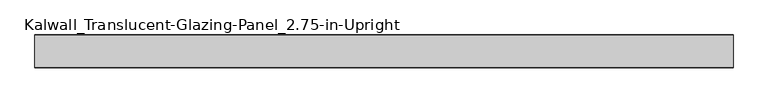
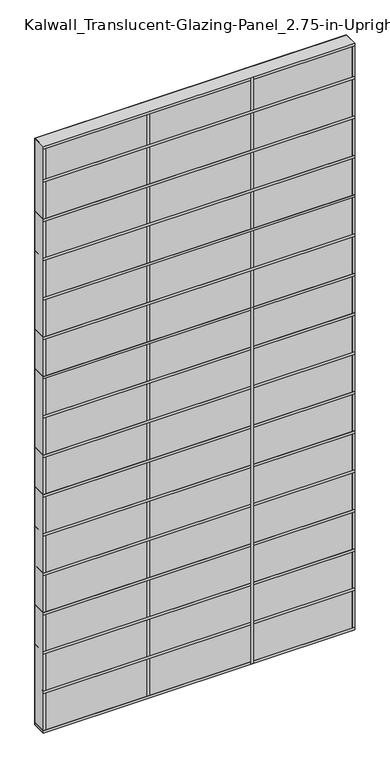
"""IFC4 building model written with IfcOpenShell, lengths in millimetres: plate geometry, Kalwall_Translucent-Glazing-Panel_2.75-in-Upright."""

from ifc_helpers import new_model, si_unit, frame, origin, origin_with_axes, place, context, project, spatial, polyline, outline, extrude, source, transform, mapped, element, save


def kalwall_translucent_glazing_panel_2_75_in_upright_2c1c6394(model_context):
    return source(origin(), model_context, "Body", "SweptSolid", [
        extrude(outline(polyline([(762.0, 34.925), (762.0, -34.925), (-762.0, -34.925), (-762.0, 34.925), (762.0, 34.925)])), origin_with_axes(), (0.0, 0.0, 1.0), 3028.95),
        extrude(outline(polyline([(762.0, 35.71875), (762.0, -35.71875), (-762.0, -35.71875), (-762.0, 35.71875), (762.0, 35.71875)])), frame((0.0, 0.0, 2844.8), z_axis=(0.0, 0.0, 1.0), x_axis=(1.0, 0.0, 0.0)), (0.0, 0.0, 1.0), 12.7),
        extrude(outline(polyline([(762.0, 35.71875), (762.0, -35.71875), (-762.0, -35.71875), (-762.0, 35.71875), (762.0, 35.71875)])), frame((0.0, 0.0, 2641.6), z_axis=(0.0, 0.0, 1.0), x_axis=(1.0, 0.0, 0.0)), (0.0, 0.0, 1.0), 12.7),
        extrude(outline(polyline([(762.0, 35.71875), (762.0, -35.71875), (-762.0, -35.71875), (-762.0, 35.71875), (762.0, 35.71875)])), frame((0.0, 0.0, 2438.4), z_axis=(0.0, 0.0, 1.0), x_axis=(1.0, 0.0, 0.0)), (0.0, 0.0, 1.0), 12.7),
        extrude(outline(polyline([(762.0, 35.71875), (762.0, -35.71875), (-762.0, -35.71875), (-762.0, 35.71875), (762.0, 35.71875)])), frame((0.0, 0.0, 2235.2), z_axis=(0.0, 0.0, 1.0), x_axis=(1.0, 0.0, 0.0)), (0.0, 0.0, 1.0), 12.7),
        extrude(outline(polyline([(762.0, 35.71875), (762.0, -35.71875), (-762.0, -35.71875), (-762.0, 35.71875), (762.0, 35.71875)])), frame((0.0, 0.0, 2032.0), z_axis=(0.0, 0.0, 1.0), x_axis=(1.0, 0.0, 0.0)), (0.0, 0.0, 1.0), 12.7),
        extrude(outline(polyline([(266.7, 35.71875), (266.7, -35.71875), (254.0, -35.71875), (254.0, 35.71875), (266.7, 35.71875)])), origin_with_axes(), (0.0, 0.0, 1.0), 3028.95),
        extrude(outline(polyline([(762.0, 35.71875), (762.0, -35.71875), (-762.0, -35.71875), (-762.0, 35.71875), (762.0, 35.71875)])), frame((0.0, 0.0, 1828.8), z_axis=(0.0, 0.0, 1.0), x_axis=(1.0, 0.0, 0.0)), (0.0, 0.0, 1.0), 12.7),
        extrude(outline(polyline([(762.0, 35.71875), (762.0, -35.71875), (-762.0, -35.71875), (-762.0, 35.71875), (762.0, 35.71875)])), frame((0.0, 0.0, 1625.6), z_axis=(0.0, 0.0, 1.0), x_axis=(1.0, 0.0, 0.0)), (0.0, 0.0, 1.0), 12.7),
        extrude(outline(polyline([(762.0, 35.71875), (762.0, -35.71875), (-762.0, -35.71875), (-762.0, 35.71875), (762.0, 35.71875)])), frame((0.0, 0.0, 1422.4), z_axis=(0.0, 0.0, 1.0), x_axis=(1.0, 0.0, 0.0)), (0.0, 0.0, 1.0), 12.7),
        extrude(outline(polyline([(762.0, 35.71875), (762.0, -35.71875), (-762.0, -35.71875), (-762.0, 35.71875), (762.0, 35.71875)])), frame((0.0, 0.0, 1219.2), z_axis=(0.0, 0.0, 1.0), x_axis=(1.0, 0.0, 0.0)), (0.0, 0.0, 1.0), 12.7),
        extrude(outline(polyline([(762.0, 35.71875), (762.0, -35.71875), (-762.0, -35.71875), (-762.0, 35.71875), (762.0, 35.71875)])), frame((0.0, 0.0, 1016.0), z_axis=(0.0, 0.0, 1.0), x_axis=(1.0, 0.0, 0.0)), (0.0, 0.0, 1.0), 12.7),
        extrude(outline(polyline([(762.0, 35.71875), (762.0, -35.71875), (-762.0, -35.71875), (-762.0, 35.71875), (762.0, 35.71875)])), frame((0.0, 0.0, 812.8), z_axis=(0.0, 0.0, 1.0), x_axis=(1.0, 0.0, 0.0)), (0.0, 0.0, 1.0), 12.7),
        extrude(outline(polyline([(762.0, 35.71875), (762.0, -35.71875), (-762.0, -35.71875), (-762.0, 35.71875), (762.0, 35.71875)])), frame((0.0, 0.0, 609.6), z_axis=(0.0, 0.0, 1.0), x_axis=(1.0, 0.0, 0.0)), (0.0, 0.0, 1.0), 12.7),
        extrude(outline(polyline([(762.0, 35.71875), (762.0, -35.71875), (-762.0, -35.71875), (-762.0, 35.71875), (762.0, 35.71875)])), frame((0.0, 0.0, 406.4), z_axis=(0.0, 0.0, 1.0), x_axis=(1.0, 0.0, 0.0)), (0.0, 0.0, 1.0), 12.7),
        extrude(outline(polyline([(762.0, 35.71875), (762.0, -35.71875), (-762.0, -35.71875), (-762.0, 35.71875), (762.0, 35.71875)])), frame((0.0, 0.0, 3016.25), z_axis=(0.0, 0.0, 1.0), x_axis=(1.0, 0.0, 0.0)), (0.0, 0.0, 1.0), 12.7),
        extrude(outline(polyline([(762.0, 35.71875), (762.0, -35.71875), (-762.0, -35.71875), (-762.0, 35.71875), (762.0, 35.71875)])), frame((0.0, 0.0, 203.2), z_axis=(0.0, 0.0, 1.0), x_axis=(1.0, 0.0, 0.0)), (0.0, 0.0, 1.0), 12.7),
        extrude(outline(polyline([(762.0, 35.71875), (762.0, -35.71875), (-762.0, -35.71875), (-762.0, 35.71875), (762.0, 35.71875)])), origin_with_axes(), (0.0, 0.0, 1.0), 12.7),
        extrude(outline(polyline([(-241.3, 35.71875), (-241.3, -35.71875), (-254.0, -35.71875), (-254.0, 35.71875), (-241.3, 35.71875)])), origin_with_axes(), (0.0, 0.0, 1.0), 3028.95),
        extrude(outline(polyline([(762.0, 35.71875), (762.0, -35.71875), (749.3, -35.71875), (749.3, 35.71875), (762.0, 35.71875)])), origin_with_axes(), (0.0, 0.0, 1.0), 3028.95),
        extrude(outline(polyline([(-749.3, 35.71875), (-749.3, -35.71875), (-762.0, -35.71875), (-762.0, 35.71875), (-749.3, 35.71875)])), origin_with_axes(), (0.0, 0.0, 1.0), 3028.95),
    ])


if __name__ == "__main__":
    model = new_model("IFC4")
    model_context = context("Model", 3, world=origin())
    ifc_project = project(units=[si_unit("LENGTHUNIT", "METRE", prefix="MILLI")], contexts=[model_context])
    site = spatial("IfcSite", under=ifc_project)
    building = spatial("IfcBuilding", under=site)
    placement = place(None, origin())
    kalwall_translucent_glazing_panel_2_75_in_upright_shape = kalwall_translucent_glazing_panel_2_75_in_upright_2c1c6394(model_context)
    element("IfcPlate", 1, ObjectType="Kalwall_Translucent-Glazing-Panel_2.75-in-Upright", at=placement, inside=building, context=model_context, shape_type="MappedRepresentation", body=[
        mapped(kalwall_translucent_glazing_panel_2_75_in_upright_shape, transform((0.0, 0.0, 0.0), x_axis=(1.0, 0.0, 0.0), y_axis=(0.0, 1.0, 0.0), z_axis=(0.0, 0.0, 1.0))),
    ])
    save(model, "model.ifc")
